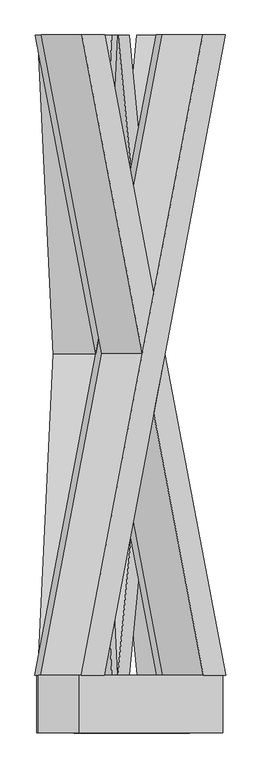
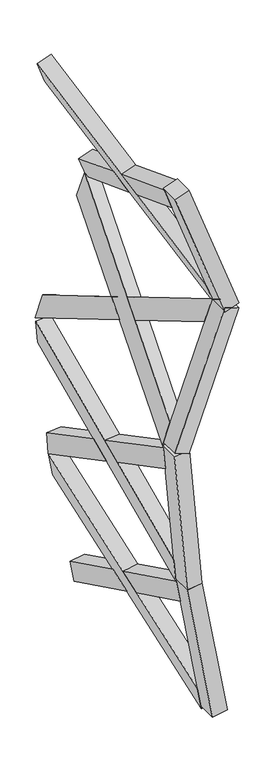
"""IFC4 building model written with IfcOpenShell, lengths in millimetres: proxy geometry."""

from ifc_helpers import new_model, si_unit, frame, origin, place, context, project, spatial, polyline, outline, extrude, faceted_brep, source, transform, mapped, element, save


def generic_models_61943d9e(model_context):
    return source(origin(), model_context, "Body", "SolidModel", [
        faceted_brep([(-300.6865533, 100.0, 5635.4136689), (-222.4765289, 100.0, 5420.5333928), (198.3419117, 2319.6837757, 4264.3442296), (120.1318872, 2319.6837757, 4479.2245057), (57.3880186, 2319.6837757, 4213.0412081), (-152.2103492, 1214.1188776, 4788.9079907), (-191.3153614, 1420.3854116, 4896.3481288), (-20.8220059, 2319.6837757, 4427.9214842), (-441.6404465, 100.0, 5584.1106474), (-230.4203737, 1214.1188776, 5003.7882668), (-191.3153614, 1007.8523437, 4896.3481288), (-363.430422, 100.0, 5369.2303713), (-120.8384149, 1007.8523437, 4921.9996395), (-81.7334027, 1214.1188776, 4814.5595015), (-120.8384149, 1420.3854116, 4921.9996395), (-159.9434271, 1214.1188776, 5029.4397776)], [[[0, 1, 2, 3]], [[4, 5, 6, 7]], [[8, 9, 10, 11]], [[0, 8, 11, 1]], [[1, 11, 10, 12, 13, 5, 4, 2]], [[2, 4, 7, 3]], [[3, 7, 6, 14, 15, 9, 8, 0]], [[13, 12, 15, 14]], [[12, 10, 9, 15]], [[14, 6, 5, 13]]]),
        faceted_brep([(199.9636167, 100.0, 4259.8886316), (-11.2564561, 1214.1188776, 4840.2110122), (-50.3614683, 1007.8523437, 4947.6511503), (121.7535923, 100.0, 4474.7689077), (-299.0648483, 2319.6837757, 5630.9580709), (-89.4664805, 1214.1188776, 5055.0912883), (-50.3614683, 1420.3854116, 4947.6511503), (-220.8548239, 2319.6837757, 5416.0777948), (59.0097236, 100.0, 4208.5856101), (-19.2003008, 100.0, 4423.4658862), (-440.0187414, 2319.6837757, 5579.6550494), (-361.808717, 2319.6837757, 5364.7747733), (-120.8384149, 1007.8523437, 4921.9996395), (-159.9434271, 1214.1188776, 5029.4397776), (-120.8384149, 1420.3854116, 4921.9996395), (-81.7334027, 1214.1188776, 4814.5595015)], [[[0, 1, 2, 3]], [[4, 5, 6, 7]], [[8, 9, 10, 11]], [[3, 9, 8, 0]], [[9, 3, 2, 12, 13, 5, 4, 10]], [[7, 11, 10, 4]], [[11, 7, 6, 14, 15, 1, 0, 8]], [[13, 12, 15, 14]], [[12, 2, 1, 15]], [[14, 6, 5, 13]]]),
        extrude(outline(polyline([(-148.3871943, 0.0), (-348.3871943, 0.0), (-348.3871943, 150.0), (-148.3871943, 150.0), (-148.3871943, 0.0)])), frame((189.052632, 248.3871943, 4289.8663157), z_axis=(-0.3420201433256639, 0.0, 0.9396926207859103), x_axis=(0.0, 1.0, 0.0)), (0.0, 0.0, 1.0), 1460.0),
        faceted_brep([(179.4424081, 100.0, 4212.159421), (101.2323837, 100.0, 3997.2791449), (-319.5860569, 2319.6837757, 2841.0899817), (-241.3760325, 2319.6837757, 3055.9702578), (-460.53995, 2319.6837757, 2892.3930032), (-250.9415823, 1214.1188776, 3468.2597859), (-211.83657, 1420.3854116, 3575.6999239), (-382.3299256, 2319.6837757, 3107.2732793), (38.488515, 100.0, 4263.4624425), (-172.7315578, 1214.1188776, 3683.140062), (-211.83657, 1007.8523437, 3575.6999239), (-39.7215094, 100.0, 4048.5821664), (-141.3596235, 1007.8523437, 3550.0484132), (-180.4646357, 1214.1188776, 3442.6082751), (-141.3596235, 1420.3854116, 3550.0484132), (-102.2546113, 1214.1188776, 3657.4885512)], [[[0, 1, 2, 3]], [[4, 5, 6, 7]], [[8, 9, 10, 11]], [[0, 8, 11, 1]], [[1, 11, 10, 12, 13, 5, 4, 2]], [[2, 4, 7, 3]], [[3, 7, 6, 14, 15, 9, 8, 0]], [[13, 12, 15, 14]], [[12, 10, 9, 15]], [[14, 6, 5, 13]]]),
        faceted_brep([(-321.2077619, 100.0, 2836.6343838), (-109.9876891, 1214.1188776, 3416.9567644), (-70.8826769, 1007.8523437, 3524.3969024), (-242.9977375, 100.0, 3051.5146599), (177.8207031, 2319.6837757, 4207.7038231), (-31.7776647, 1214.1188776, 3631.8370405), (-70.8826769, 1420.3854116, 3524.3969024), (99.6106786, 2319.6837757, 3992.823547), (-462.1616551, 100.0, 2887.9374053), (-383.9516306, 100.0, 3102.8176814), (36.86681, 2319.6837757, 4259.0068446), (-41.3432145, 2319.6837757, 4044.1265685), (-141.3596235, 1007.8523437, 3550.0484132), (-102.2546113, 1214.1188776, 3657.4885512), (-141.3596235, 1420.3854116, 3550.0484132), (-180.4646357, 1214.1188776, 3442.6082751)], [[[0, 1, 2, 3]], [[4, 5, 6, 7]], [[8, 9, 10, 11]], [[3, 9, 8, 0]], [[9, 3, 2, 12, 13, 5, 4, 10]], [[7, 11, 10, 4]], [[11, 7, 6, 14, 15, 1, 0, 8]], [[13, 12, 15, 14]], [[12, 2, 1, 15]], [[14, 6, 5, 13]]]),
        extrude(outline(polyline([(-148.3871943, 0.0), (-348.3871943, 0.0), (-348.3871943, 150.0000001), (-148.3871943, 150.0000001), (-148.3871943, 0.0)])), frame((-310.2967772, 248.3871943, 2866.6120679), z_axis=(0.3420201433256725, 0.0, 0.9396926207859071), x_axis=(0.0, 1.0, 0.0)), (0.0, 0.0, 1.0), 1460.0),
        faceted_brep([(-303.6101832, 100.0, 2870.8087673), (-283.6802086, 100.0, 2643.0081152), (-176.4445839, 2319.6837757, 1417.2993155), (-196.3745585, 2319.6837757, 1645.0999676), (-325.8737886, 2319.6837757, 1404.2259541), (-379.2849744, 1214.1188776, 2014.7186013), (-389.2499617, 1420.3854116, 2128.6189274), (-345.8037632, 2319.6837757, 1632.0266062), (-453.0393879, 100.0, 2857.7354059), (-399.214949, 1214.1188776, 2242.5192534), (-389.2499617, 1007.8523437, 2128.6189274), (-433.1094133, 100.0, 2629.9347538), (-314.5353593, 1007.8523437, 2135.1556081), (-304.570372, 1214.1188776, 2021.255282), (-314.5353593, 1420.3854116, 2135.1556081), (-324.5003466, 1214.1188776, 2249.0559341)], [[[0, 1, 2, 3]], [[4, 5, 6, 7]], [[8, 9, 10, 11]], [[0, 8, 11, 1]], [[1, 11, 10, 12, 13, 5, 4, 2]], [[2, 4, 7, 3]], [[3, 7, 6, 14, 15, 9, 8, 0]], [[13, 12, 15, 14]], [[12, 10, 9, 15]], [[14, 6, 5, 13]]]),
        faceted_brep([(-176.0313307, 100.0, 1412.5758102), (-229.8557697, 1214.1188776, 2027.7919627), (-239.820757, 1007.8523437, 2141.6922888), (-195.9613053, 100.0, 1640.3764623), (-303.1969301, 2319.6837757, 2866.0852621), (-249.7857443, 1214.1188776, 2255.5926148), (-239.820757, 1420.3854116, 2141.6922888), (-283.2669555, 2319.6837757, 2638.28461), (-325.4605354, 100.0, 1399.5024488), (-345.39051, 100.0, 1627.3031009), (-452.6261348, 2319.6837757, 2853.0119007), (-432.6961602, 2319.6837757, 2625.2112486), (-314.5353593, 1007.8523437, 2135.1556081), (-324.5003466, 1214.1188776, 2249.0559341), (-314.5353593, 1420.3854116, 2135.1556081), (-304.570372, 1214.1188776, 2021.255282)], [[[0, 1, 2, 3]], [[4, 5, 6, 7]], [[8, 9, 10, 11]], [[3, 9, 8, 0]], [[9, 3, 2, 12, 13, 5, 4, 10]], [[7, 11, 10, 4]], [[11, 7, 6, 14, 15, 1, 0, 8]], [[13, 12, 15, 14]], [[12, 2, 1, 15]], [[14, 6, 5, 13]]]),
        extrude(outline(polyline([(-148.3871943, 0.0), (-348.3871943, 0.0), (-348.3871943, 150.0000001), (-148.3871943, 150.0000001), (-148.3871943, 0.0)])), frame((-178.811737, 248.3871943, 1444.3560001), z_axis=(-0.08715574274765653, 0.0, 0.9961946980917458), x_axis=(0.0, 1.0, 0.0)), (0.0, 0.0, 1.0), 1460.0),
        faceted_brep([(-174.7865194, 100.0, 1423.1713958), (-135.0782493, 100.0, 1197.9746057), (78.5768724, 2319.6837757, -13.7238015), (38.8686023, 2319.6837757, 211.4729886), (-69.1442906, 2319.6837757, -39.7710281), (-175.5601708, 1214.1188776, 563.7434187), (-195.4143058, 1420.3854116, 676.3418138), (-108.8525606, 2319.6837757, 185.425762), (-322.5076823, 100.0, 1397.1241692), (-215.2684409, 1214.1188776, 788.9402088), (-195.4143058, 1007.8523437, 676.3418138), (-282.7994123, 100.0, 1171.9273791), (-121.5537244, 1007.8523437, 689.3654271), (-101.6995893, 1214.1188776, 576.7670321), (-121.5537244, 1420.3854116, 689.3654271), (-141.4078594, 1214.1188776, 801.9638222)], [[[0, 1, 2, 3]], [[4, 5, 6, 7]], [[8, 9, 10, 11]], [[0, 8, 11, 1]], [[1, 11, 10, 12, 13, 5, 4, 2]], [[2, 4, 7, 3]], [[3, 7, 6, 14, 15, 9, 8, 0]], [[13, 12, 15, 14]], [[12, 10, 9, 15]], [[14, 6, 5, 13]]]),
        faceted_brep([(79.4002336, 100.0, -18.393315), (-27.8390079, 1214.1188776, 589.7906454), (-47.6931429, 1007.8523437, 702.3890404), (39.6919635, 100.0, 206.8034751), (-173.9631581, 2319.6837757, 1418.5018823), (-67.5472779, 1214.1188776, 814.9874355), (-47.6931429, 1420.3854116, 702.3890404), (-134.2548881, 2319.6837757, 1193.3050922), (-68.3209294, 100.0, -44.4405416), (-108.0291994, 100.0, 180.7562485), (-321.6843211, 2319.6837757, 1392.4546557), (-281.976051, 2319.6837757, 1167.2578656), (-121.5537244, 1007.8523437, 689.3654271), (-141.4078594, 1214.1188776, 801.9638222), (-121.5537244, 1420.3854116, 689.3654271), (-101.6995893, 1214.1188776, 576.7670321)], [[[0, 1, 2, 3]], [[4, 5, 6, 7]], [[8, 9, 10, 11]], [[3, 9, 8, 0]], [[9, 3, 2, 12, 13, 5, 4, 10]], [[7, 11, 10, 4]], [[11, 7, 6, 14, 15, 1, 0, 8]], [[13, 12, 15, 14]], [[12, 2, 1, 15]], [[14, 6, 5, 13]]]),
        extrude(outline(polyline([(-148.3871943, 0.0), (-348.3871943, 0.0), (-348.3871943, 150.0), (-148.3871943, 150.0), (-148.3871943, 0.0)])), frame((73.8605815, 248.3871943, 13.0236133), z_axis=(-0.17364817766692864, 0.0, 0.9848077530122085), x_axis=(0.0, 1.0, 0.0)), (0.0, 0.0, 1.0), 1460.0),
    ])


if __name__ == "__main__":
    model = new_model("IFC4")
    model_context = context("Model", 3, world=origin())
    ifc_project = project(units=[si_unit("LENGTHUNIT", "METRE", prefix="MILLI")], contexts=[model_context])
    site = spatial("IfcSite", under=ifc_project)
    building = spatial("IfcBuilding", under=site)
    placement = place(None, origin())
    generic_models_shape = generic_models_61943d9e(model_context)
    element("IfcBuildingElementProxy", 1, Name="Generic Models", at=placement, inside=building, context=model_context, shape_type="MappedRepresentation", body=[
        mapped(generic_models_shape, transform((0.0, 0.0, 0.0), x_axis=(1.0, 0.0, 0.0), y_axis=(0.0, 1.0, 0.0), z_axis=(0.0, 0.0, 1.0))),
    ])
    save(model, "model.ifc")
